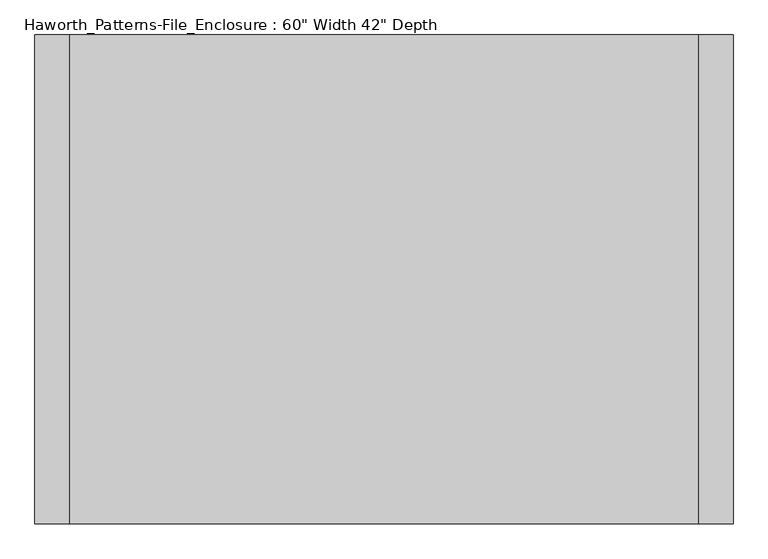
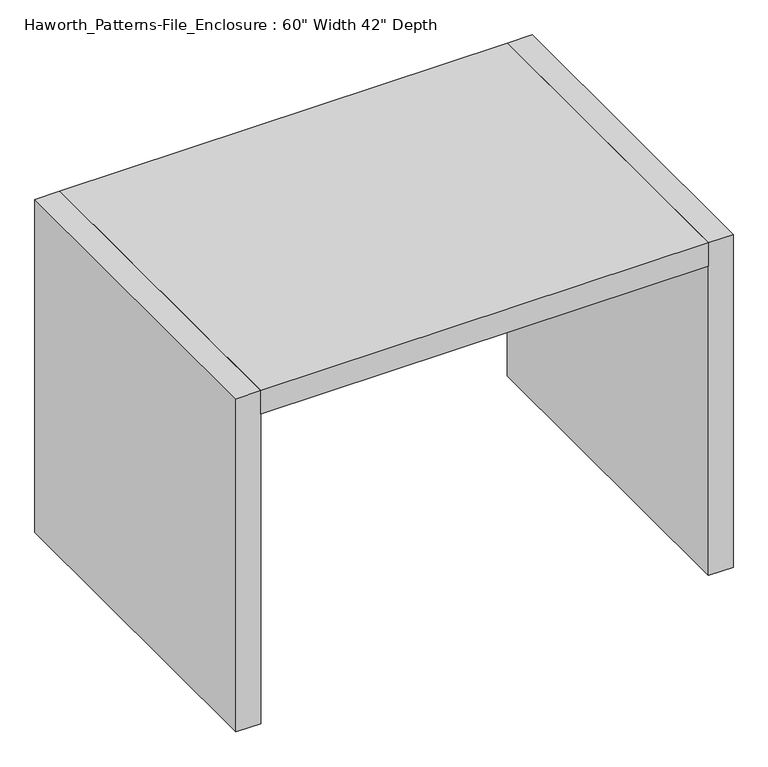
"""IFC4 building model written with IfcOpenShell, lengths in millimetres: furniture geometry."""

from ifc_helpers import new_model, si_unit, frame, origin, origin_with_axes, place, context, project, spatial, polyline, outline, extrude, source, transform, mapped, element, save


def furniture_0aacdd78(model_context):
    return source(origin(), model_context, "Body", "SweptSolid", [
        extrude(outline(polyline([(685.8, 0.0), (-685.8, 0.0), (-685.8, 1066.8), (685.8, 1066.8), (685.8, 0.0)])), frame((0.0, 0.0, 1003.3), z_axis=(0.0, 0.0, 1.0), x_axis=(1.0, 0.0, 0.0)), (0.0, 0.0, 1.0), 76.2),
        extrude(outline(polyline([(685.8, 0.0), (685.8, 1066.8), (762.0, 1066.8), (762.0, 0.0), (685.8, 0.0)])), origin_with_axes(), (0.0, 0.0, 1.0), 1079.5),
        extrude(outline(polyline([(-685.8, 0.0), (-762.0, 0.0), (-762.0, 1066.8), (-685.8, 1066.8), (-685.8, 0.0)])), origin_with_axes(), (0.0, 0.0, 1.0), 1079.5),
    ])


if __name__ == "__main__":
    model = new_model("IFC4")
    model_context = context("Model", 3, world=origin())
    ifc_project = project(units=[si_unit("LENGTHUNIT", "METRE", prefix="MILLI")], contexts=[model_context])
    site = spatial("IfcSite", under=ifc_project)
    building = spatial("IfcBuilding", under=site)
    placement = place(None, origin())
    furniture_shape = furniture_0aacdd78(model_context)
    element("IfcFurniture", 1, ObjectType="Haworth_Patterns-File_Enclosure : 60\" Width 42\" Depth", at=placement, inside=building, context=model_context, shape_type="MappedRepresentation", body=[
        mapped(furniture_shape, transform((0.0, 0.0, 0.0), x_axis=(1.0, 0.0, 0.0), y_axis=(0.0, 1.0, 0.0), z_axis=(0.0, 0.0, 1.0))),
    ])
    save(model, "model.ifc")
